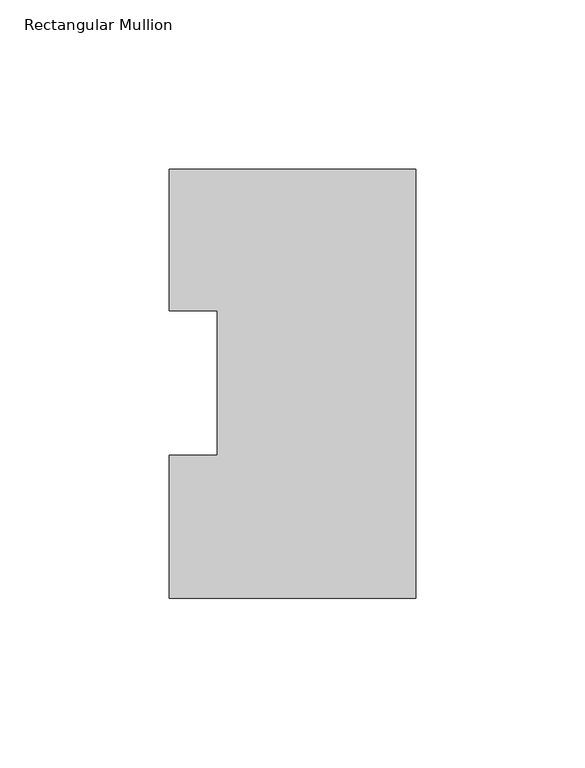
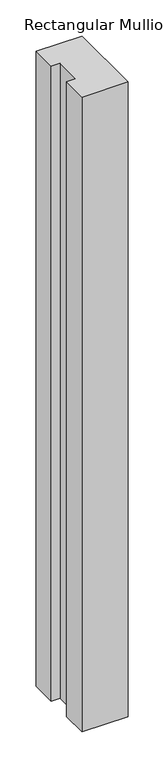
"""IFC4 building model written with IfcOpenShell, lengths in millimetres: member geometry, Rectangular Mullion."""

import ifcopenshell
import ifcopenshell.guid

model = None  # the IFC model being written
_history = None  # IfcOwnerHistory: only IFC2X3 demands one
_inside = {}  # id of a spatial element -> (the spatial element, [elements in it])
_under = {}  # id of a project, library or spatial element -> (it, [spatial elements below it])
_declared = {}  # id of a project -> (the project, [libraries it declares])
_typed = {}  # id of a type object -> (the type object, [elements of that type])
_made_of = {}  # id of a material, layer set ... -> (it, [elements and type objects made of it])


def new_model(schema):
    """Start an empty IFC model of exactly this schema.

    Asked for "IFC4X3", IfcOpenShell would pick the latest addendum, in which some entities
    have other attributes; the version numbers below select the first issue.
    IFC2X3 requires an IfcOwnerHistory on every rooted entity: one is made here for all.
    """
    global model, _history
    if schema == "IFC4X3":
        model = ifcopenshell.file(schema_version=(4, 3, 0, 0))
    else:
        model = ifcopenshell.file(schema=schema)
    _inside.clear()
    _under.clear()
    _declared.clear()
    _typed.clear()
    _made_of.clear()
    _history = None
    if model.schema == "IFC2X3":
        org = make("IfcOrganization", Name="unknown")
        user = make(
            "IfcPersonAndOrganization",
            ThePerson=make("IfcPerson", FamilyName="unknown"),
            TheOrganization=org,
        )
        app = make(
            "IfcApplication",
            ApplicationDeveloper=org,
            Version="unknown",
            ApplicationFullName="unknown",
            ApplicationIdentifier="unknown",
        )
        _history = make(
            "IfcOwnerHistory",
            OwningUser=user,
            OwningApplication=app,
            ChangeAction="ADDED",
            CreationDate=0,
        )
    return model


def make(cls, **values):
    """One entity of the class cls with the attributes given. An attribute that is None is left unset."""
    return model.create_entity(
        cls, **{name: value for name, value in values.items() if value is not None}
    )


def rooted(cls, **values):
    """An entity with a GlobalId (a new one), such as an element, a storey or a relation."""
    return make(cls, GlobalId=ifcopenshell.guid.new(), OwnerHistory=_history, **values)


def si_unit(unit_type, name, prefix=None):
    """IfcSIUnit, for example si_unit("LENGTHUNIT", "METRE", prefix="MILLI")."""
    return make("IfcSIUnit", UnitType=unit_type, Prefix=prefix, Name=name)


def assignment(units):
    """IfcUnitAssignment: the units of a project."""
    return None if units is None else make("IfcUnitAssignment", Units=units)


def point(xyz):
    """IfcCartesianPoint."""
    return None if xyz is None else make("IfcCartesianPoint", Coordinates=xyz)


def direction(xyz):
    """IfcDirection."""
    return None if xyz is None else make("IfcDirection", DirectionRatios=xyz)


def frame(location, z_axis=None, x_axis=None):
    """IfcAxis2Placement3D, a coordinate frame: its origin and axes. An axis left out is left unset."""
    return make(
        "IfcAxis2Placement3D",
        Location=point(location),
        Axis=direction(z_axis),
        RefDirection=direction(x_axis),
    )


def origin():
    """The frame at (0, 0, 0) with its axes left unset."""
    return frame((0.0, 0.0, 0.0))


def place(relative_to, where):
    """IfcLocalPlacement: puts the frame where relative to a parent placement (None: the world)."""
    return make(
        "IfcLocalPlacement", PlacementRelTo=relative_to, RelativePlacement=where
    )


def context(
    kind, dimensions, precision=None, world=None, true_north=None, identifier=None
):
    """IfcGeometricRepresentationContext, for example the 3D "Model" context."""
    return make(
        "IfcGeometricRepresentationContext",
        ContextIdentifier=identifier,
        ContextType=kind,
        CoordinateSpaceDimension=dimensions,
        Precision=precision,
        WorldCoordinateSystem=world,
        TrueNorth=true_north,
    )


def project(units=None, contexts=None):
    """IfcProject with its units and contexts."""
    return rooted(
        "IfcProject",
        Name="project",
        RepresentationContexts=contexts,
        UnitsInContext=assignment(units),
    )


def spatial(cls, under=None, at=None, **own):
    """A site, building, storey or space (cls), placed at a placement, below another one or the project."""
    s = rooted(cls, ObjectPlacement=at, **own)
    if under is not None:
        _under.setdefault(under.id(), (under, []))[1].append(s)
    return s


def polyline(points):
    """IfcPolyline through the points."""
    return make("IfcPolyline", Points=[point(p) for p in points])


def outline(outer, holes=None, kind="AREA"):
    """IfcArbitraryClosedProfileDef: a profile drawn as a closed curve; with holes, ...WithVoids."""
    if holes is None:
        return make("IfcArbitraryClosedProfileDef", ProfileType=kind, OuterCurve=outer)
    return make(
        "IfcArbitraryProfileDefWithVoids",
        ProfileType=kind,
        OuterCurve=outer,
        InnerCurves=holes,
    )


def extrude(swept, where, along, depth):
    """IfcExtrudedAreaSolid: the profile swept, set in the frame where, extruded along a direction by depth."""
    return make(
        "IfcExtrudedAreaSolid",
        SweptArea=swept,
        Position=where,
        ExtrudedDirection=direction(along),
        Depth=depth,
    )


def shape(context_of_items, identifier, shape_type, items):
    """IfcShapeRepresentation: the items that make up one representation, for example the "Body"."""
    return make(
        "IfcShapeRepresentation",
        ContextOfItems=context_of_items,
        RepresentationIdentifier=identifier,
        RepresentationType=shape_type,
        Items=items,
    )


def source(mapping_origin, context_of_items, identifier, shape_type, items):
    """IfcRepresentationMap: a shape defined once, which mapped items show again and again."""
    return make(
        "IfcRepresentationMap",
        MappingOrigin=mapping_origin,
        MappedRepresentation=shape(context_of_items, identifier, shape_type, items),
    )


def transform(
    local_origin,
    x_axis=None,
    y_axis=None,
    z_axis=None,
    scale=None,
    scale2=None,
    scale3=None,
    uniform=True,
):
    """IfcCartesianTransformationOperator3D, or its non-uniform kind. x_axis, y_axis, z_axis: its Axis1, 2, 3."""
    if uniform:
        return make(
            "IfcCartesianTransformationOperator3D",
            Axis1=direction(x_axis),
            Axis2=direction(y_axis),
            LocalOrigin=point(local_origin),
            Scale=scale,
            Axis3=direction(z_axis),
        )
    return make(
        "IfcCartesianTransformationOperator3DnonUniform",
        Axis1=direction(x_axis),
        Axis2=direction(y_axis),
        LocalOrigin=point(local_origin),
        Scale=scale,
        Axis3=direction(z_axis),
        Scale2=scale2,
        Scale3=scale3,
    )


def mapped(mapping_source, mapping_target):
    """IfcMappedItem: shows the shape of a source again, moved by a transform."""
    return make(
        "IfcMappedItem", MappingSource=mapping_source, MappingTarget=mapping_target
    )


def made_of(thing, what):
    """Note that an element or type object is made of a material, layer set ...; save() writes the relation."""
    if what is not None:
        _made_of.setdefault(what.id(), (what, []))[1].append(thing)
    return thing


def element(
    cls,
    number,
    at=None,
    inside=None,
    cuts=None,
    type_object=None,
    material=None,
    context=None,
    identifier="Body",
    shape_type=None,
    held_by="IfcProductDefinitionShape",
    body=None,
    shapes=None,
    **own,
):
    """One element of the class cls, such as IfcWall. Its Tag is "e" and its number.

    at: its placement. inside: the storey or other place that contains it. cuts: it is an
    opening in that element (IfcRelVoidsElement). A single representation is given by context,
    identifier, shape_type and body (its items); several are given by shapes. held_by: the class
    of the entity that holds the representations. save() writes the other relations.
    """
    e = rooted(cls, Tag="e%d" % number, ObjectPlacement=at, **own)
    if body is not None:
        shapes = [shape(context, identifier, shape_type, body)]
    if shapes is not None:
        e.Representation = make(held_by, Representations=shapes)
    if inside is not None:
        _inside.setdefault(inside.id(), (inside, []))[1].append(e)
    if cuts is not None:
        rooted(
            "IfcRelVoidsElement", RelatingBuildingElement=cuts, RelatedOpeningElement=e
        )
    if type_object is not None:
        _typed.setdefault(type_object.id(), (type_object, []))[1].append(e)
    return made_of(e, material)


def aggregate(whole, parts):
    """IfcRelAggregates: a whole, such as a stair, and the parts it consists of."""
    return rooted("IfcRelAggregates", RelatingObject=whole, RelatedObjects=parts)


def save(model, path):
    """Write the relations noted so far, then the file.

    IfcRelAggregates (storeys below a building ...), IfcRelContainedInSpatialStructure (elements
    in a storey), IfcRelDefinesByType, IfcRelAssociatesMaterial and IfcRelDeclares: one each for
    every whole, place, type object, material and project.
    """
    for whole, parts in _under.values():
        aggregate(whole, parts)
    for where, things in _inside.values():
        rooted(
            "IfcRelContainedInSpatialStructure",
            RelatedElements=things,
            RelatingStructure=where,
        )
    for kind, things in _typed.values():
        rooted("IfcRelDefinesByType", RelatedObjects=things, RelatingType=kind)
    for what, things in _made_of.values():
        rooted("IfcRelAssociatesMaterial", RelatedObjects=things, RelatingMaterial=what)
    for by, libraries in _declared.values():
        rooted("IfcRelDeclares", RelatingContext=by, RelatedDefinitions=libraries)
    model.write(path)


def rectangular_mullion_268669fd(model_context):
    return source(origin(), model_context, "Body", "SweptSolid", [
        extrude(outline(polyline([(0.0, 126.9888875), (0.0, -0.0111125), (-73.025, -0.0111125), (-73.025, 42.2798875), (-58.7375, 42.2798875), (-58.7375, 85.1296875), (-73.025, 85.1296875), (-73.025, 126.9888875), (0.0, 126.9888875)])), frame((0.0, 0.0, -1069.5781712), z_axis=(0.0, 0.0, 1.0), x_axis=(1.0, 0.0, 0.0)), (0.0, 0.0, 1.0), 1069.5781712),
    ])


if __name__ == "__main__":
    model = new_model("IFC4")
    model_context = context("Model", 3, world=origin())
    ifc_project = project(units=[si_unit("LENGTHUNIT", "METRE", prefix="MILLI")], contexts=[model_context])
    site = spatial("IfcSite", under=ifc_project)
    building = spatial("IfcBuilding", under=site)
    placement = place(None, origin())
    rectangular_mullion_shape = rectangular_mullion_268669fd(model_context)
    element("IfcMember", 1, ObjectType="Rectangular Mullion", at=placement, inside=building, context=model_context, shape_type="MappedRepresentation", body=[
        mapped(rectangular_mullion_shape, transform((0.0, 0.0, 0.0), x_axis=(1.0, 0.0, 0.0), y_axis=(0.0, 1.0, 0.0), z_axis=(0.0, 0.0, 1.0))),
    ])
    save(model, "model.ifc")
